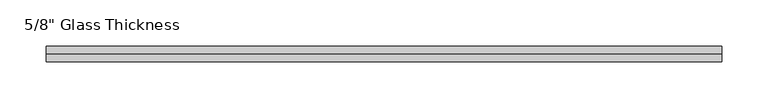
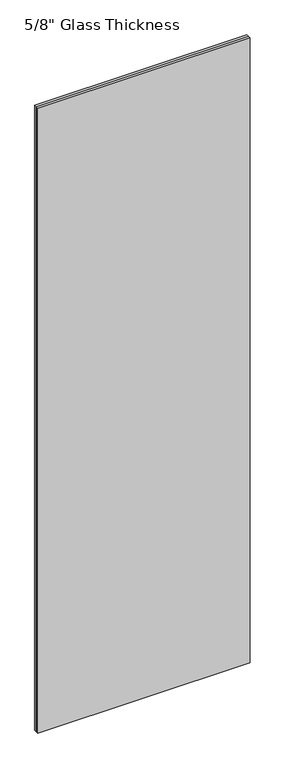
"""IFC4 building model written with IfcOpenShell, lengths in millimetres: plate geometry."""

import ifcopenshell
import ifcopenshell.guid

model = None  # the IFC model being written
_history = None  # IfcOwnerHistory: only IFC2X3 demands one
_inside = {}  # id of a spatial element -> (the spatial element, [elements in it])
_under = {}  # id of a project, library or spatial element -> (it, [spatial elements below it])
_declared = {}  # id of a project -> (the project, [libraries it declares])
_typed = {}  # id of a type object -> (the type object, [elements of that type])
_made_of = {}  # id of a material, layer set ... -> (it, [elements and type objects made of it])


def new_model(schema):
    """Start an empty IFC model of exactly this schema.

    Asked for "IFC4X3", IfcOpenShell would pick the latest addendum, in which some entities
    have other attributes; the version numbers below select the first issue.
    IFC2X3 requires an IfcOwnerHistory on every rooted entity: one is made here for all.
    """
    global model, _history
    if schema == "IFC4X3":
        model = ifcopenshell.file(schema_version=(4, 3, 0, 0))
    else:
        model = ifcopenshell.file(schema=schema)
    _inside.clear()
    _under.clear()
    _declared.clear()
    _typed.clear()
    _made_of.clear()
    _history = None
    if model.schema == "IFC2X3":
        org = make("IfcOrganization", Name="unknown")
        user = make(
            "IfcPersonAndOrganization",
            ThePerson=make("IfcPerson", FamilyName="unknown"),
            TheOrganization=org,
        )
        app = make(
            "IfcApplication",
            ApplicationDeveloper=org,
            Version="unknown",
            ApplicationFullName="unknown",
            ApplicationIdentifier="unknown",
        )
        _history = make(
            "IfcOwnerHistory",
            OwningUser=user,
            OwningApplication=app,
            ChangeAction="ADDED",
            CreationDate=0,
        )
    return model


def make(cls, **values):
    """One entity of the class cls with the attributes given. An attribute that is None is left unset."""
    return model.create_entity(
        cls, **{name: value for name, value in values.items() if value is not None}
    )


def rooted(cls, **values):
    """An entity with a GlobalId (a new one), such as an element, a storey or a relation."""
    return make(cls, GlobalId=ifcopenshell.guid.new(), OwnerHistory=_history, **values)


def si_unit(unit_type, name, prefix=None):
    """IfcSIUnit, for example si_unit("LENGTHUNIT", "METRE", prefix="MILLI")."""
    return make("IfcSIUnit", UnitType=unit_type, Prefix=prefix, Name=name)


def assignment(units):
    """IfcUnitAssignment: the units of a project."""
    return None if units is None else make("IfcUnitAssignment", Units=units)


def point(xyz):
    """IfcCartesianPoint."""
    return None if xyz is None else make("IfcCartesianPoint", Coordinates=xyz)


def direction(xyz):
    """IfcDirection."""
    return None if xyz is None else make("IfcDirection", DirectionRatios=xyz)


def frame(location, z_axis=None, x_axis=None):
    """IfcAxis2Placement3D, a coordinate frame: its origin and axes. An axis left out is left unset."""
    return make(
        "IfcAxis2Placement3D",
        Location=point(location),
        Axis=direction(z_axis),
        RefDirection=direction(x_axis),
    )


def origin():
    """The frame at (0, 0, 0) with its axes left unset."""
    return frame((0.0, 0.0, 0.0))


def origin_with_axes():
    """The frame at (0, 0, 0) with the z axis (0, 0, 1) and the x axis (1, 0, 0) written out."""
    return frame((0.0, 0.0, 0.0), z_axis=(0.0, 0.0, 1.0), x_axis=(1.0, 0.0, 0.0))


def place(relative_to, where):
    """IfcLocalPlacement: puts the frame where relative to a parent placement (None: the world)."""
    return make(
        "IfcLocalPlacement", PlacementRelTo=relative_to, RelativePlacement=where
    )


def context(
    kind, dimensions, precision=None, world=None, true_north=None, identifier=None
):
    """IfcGeometricRepresentationContext, for example the 3D "Model" context."""
    return make(
        "IfcGeometricRepresentationContext",
        ContextIdentifier=identifier,
        ContextType=kind,
        CoordinateSpaceDimension=dimensions,
        Precision=precision,
        WorldCoordinateSystem=world,
        TrueNorth=true_north,
    )


def project(units=None, contexts=None):
    """IfcProject with its units and contexts."""
    return rooted(
        "IfcProject",
        Name="project",
        RepresentationContexts=contexts,
        UnitsInContext=assignment(units),
    )


def spatial(cls, under=None, at=None, **own):
    """A site, building, storey or space (cls), placed at a placement, below another one or the project."""
    s = rooted(cls, ObjectPlacement=at, **own)
    if under is not None:
        _under.setdefault(under.id(), (under, []))[1].append(s)
    return s


def polyline(points):
    """IfcPolyline through the points."""
    return make("IfcPolyline", Points=[point(p) for p in points])


def outline(outer, holes=None, kind="AREA"):
    """IfcArbitraryClosedProfileDef: a profile drawn as a closed curve; with holes, ...WithVoids."""
    if holes is None:
        return make("IfcArbitraryClosedProfileDef", ProfileType=kind, OuterCurve=outer)
    return make(
        "IfcArbitraryProfileDefWithVoids",
        ProfileType=kind,
        OuterCurve=outer,
        InnerCurves=holes,
    )


def extrude(swept, where, along, depth):
    """IfcExtrudedAreaSolid: the profile swept, set in the frame where, extruded along a direction by depth."""
    return make(
        "IfcExtrudedAreaSolid",
        SweptArea=swept,
        Position=where,
        ExtrudedDirection=direction(along),
        Depth=depth,
    )


def shape(context_of_items, identifier, shape_type, items):
    """IfcShapeRepresentation: the items that make up one representation, for example the "Body"."""
    return make(
        "IfcShapeRepresentation",
        ContextOfItems=context_of_items,
        RepresentationIdentifier=identifier,
        RepresentationType=shape_type,
        Items=items,
    )


def source(mapping_origin, context_of_items, identifier, shape_type, items):
    """IfcRepresentationMap: a shape defined once, which mapped items show again and again."""
    return make(
        "IfcRepresentationMap",
        MappingOrigin=mapping_origin,
        MappedRepresentation=shape(context_of_items, identifier, shape_type, items),
    )


def transform(
    local_origin,
    x_axis=None,
    y_axis=None,
    z_axis=None,
    scale=None,
    scale2=None,
    scale3=None,
    uniform=True,
):
    """IfcCartesianTransformationOperator3D, or its non-uniform kind. x_axis, y_axis, z_axis: its Axis1, 2, 3."""
    if uniform:
        return make(
            "IfcCartesianTransformationOperator3D",
            Axis1=direction(x_axis),
            Axis2=direction(y_axis),
            LocalOrigin=point(local_origin),
            Scale=scale,
            Axis3=direction(z_axis),
        )
    return make(
        "IfcCartesianTransformationOperator3DnonUniform",
        Axis1=direction(x_axis),
        Axis2=direction(y_axis),
        LocalOrigin=point(local_origin),
        Scale=scale,
        Axis3=direction(z_axis),
        Scale2=scale2,
        Scale3=scale3,
    )


def mapped(mapping_source, mapping_target):
    """IfcMappedItem: shows the shape of a source again, moved by a transform."""
    return make(
        "IfcMappedItem", MappingSource=mapping_source, MappingTarget=mapping_target
    )


def made_of(thing, what):
    """Note that an element or type object is made of a material, layer set ...; save() writes the relation."""
    if what is not None:
        _made_of.setdefault(what.id(), (what, []))[1].append(thing)
    return thing


def element(
    cls,
    number,
    at=None,
    inside=None,
    cuts=None,
    type_object=None,
    material=None,
    context=None,
    identifier="Body",
    shape_type=None,
    held_by="IfcProductDefinitionShape",
    body=None,
    shapes=None,
    **own,
):
    """One element of the class cls, such as IfcWall. Its Tag is "e" and its number.

    at: its placement. inside: the storey or other place that contains it. cuts: it is an
    opening in that element (IfcRelVoidsElement). A single representation is given by context,
    identifier, shape_type and body (its items); several are given by shapes. held_by: the class
    of the entity that holds the representations. save() writes the other relations.
    """
    e = rooted(cls, Tag="e%d" % number, ObjectPlacement=at, **own)
    if body is not None:
        shapes = [shape(context, identifier, shape_type, body)]
    if shapes is not None:
        e.Representation = make(held_by, Representations=shapes)
    if inside is not None:
        _inside.setdefault(inside.id(), (inside, []))[1].append(e)
    if cuts is not None:
        rooted(
            "IfcRelVoidsElement", RelatingBuildingElement=cuts, RelatedOpeningElement=e
        )
    if type_object is not None:
        _typed.setdefault(type_object.id(), (type_object, []))[1].append(e)
    return made_of(e, material)


def aggregate(whole, parts):
    """IfcRelAggregates: a whole, such as a stair, and the parts it consists of."""
    return rooted("IfcRelAggregates", RelatingObject=whole, RelatedObjects=parts)


def save(model, path):
    """Write the relations noted so far, then the file.

    IfcRelAggregates (storeys below a building ...), IfcRelContainedInSpatialStructure (elements
    in a storey), IfcRelDefinesByType, IfcRelAssociatesMaterial and IfcRelDeclares: one each for
    every whole, place, type object, material and project.
    """
    for whole, parts in _under.values():
        aggregate(whole, parts)
    for where, things in _inside.values():
        rooted(
            "IfcRelContainedInSpatialStructure",
            RelatedElements=things,
            RelatingStructure=where,
        )
    for kind, things in _typed.values():
        rooted("IfcRelDefinesByType", RelatedObjects=things, RelatingType=kind)
    for what, things in _made_of.values():
        rooted("IfcRelAssociatesMaterial", RelatedObjects=things, RelatingMaterial=what)
    for by, libraries in _declared.values():
        rooted("IfcRelDeclares", RelatingContext=by, RelatedDefinitions=libraries)
    model.write(path)


def plate_90950657(model_context):
    return source(origin(), model_context, "Body", "SweptSolid", [
        extrude(outline(polyline([(364.5280506, 8.76), (-364.5280506, 8.76), (-364.5280506, 16.76), (364.5280506, 16.76), (364.5280506, 8.76)])), origin_with_axes(), (0.0, 0.0, 1.0), 2267.0),
        extrude(outline(polyline([(364.5280506, 0.0), (-364.5280506, 0.0), (-364.5280506, 8.0), (364.5280506, 8.0), (364.5280506, 0.0)])), origin_with_axes(), (0.0, 0.0, 1.0), 2267.0),
    ])


if __name__ == "__main__":
    model = new_model("IFC4")
    model_context = context("Model", 3, world=origin())
    ifc_project = project(units=[si_unit("LENGTHUNIT", "METRE", prefix="MILLI")], contexts=[model_context])
    site = spatial("IfcSite", under=ifc_project)
    building = spatial("IfcBuilding", under=site)
    placement = place(None, origin())
    plate_shape = plate_90950657(model_context)
    element("IfcPlate", 1, ObjectType="5/8\" Glass Thickness", at=placement, inside=building, context=model_context, shape_type="MappedRepresentation", body=[
        mapped(plate_shape, transform((0.0, 0.0, 0.0), x_axis=(1.0, 0.0, 0.0), y_axis=(0.0, 1.0, 0.0), z_axis=(0.0, 0.0, 1.0))),
    ])
    save(model, "model.ifc")
